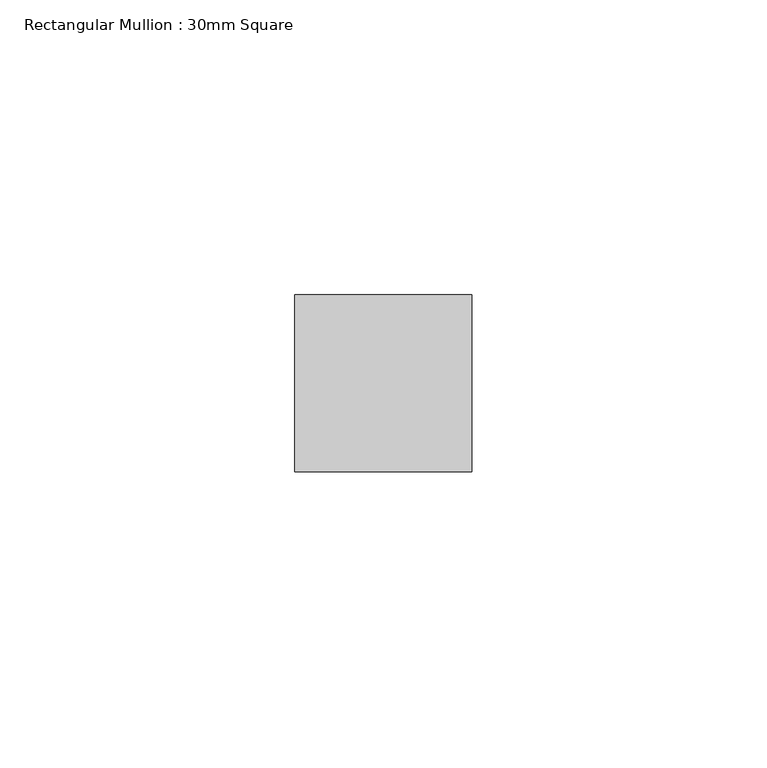
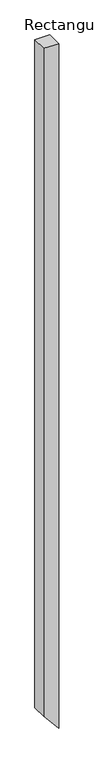
"""IFC4 building model written with IfcOpenShell, lengths in millimetres: member geometry, Rectangular Mullion : 30mm Square."""

from ifc_helpers import new_model, si_unit, point, frame, frame_2d, origin, place, context, project, spatial, polyline, circle_curve, trimmed, segment, composite_curve, outline, extrude, source, transform, mapped, element, save


def rectangular_mullion_30mm_square_1772856c(model_context):
    return source(origin(), model_context, "Body", "SweptSolid", [
        extrude(outline(composite_curve([segment(polyline([(0.0, 15.0), (0.0, -15.0), (-1410.8753816, -15.0)]), True, "CONTINUOUS"), segment(trimmed(circle_curve(frame_2d((-4213.4685979, -3261.5211069)), 4288.8725831), [point((-1410.8753816, -15.0))], [point((-1446.0081249, 15.0))], True, "CARTESIAN"), True, "CONTINUOUS"), segment(polyline([(-1446.0081249, 15.0), (0.0, 15.0)]), True, "CONTINUOUS")], self_intersect=False)), frame((0.0, -15.0, 0.0), z_axis=(0.0, 1.0, 0.0), x_axis=(0.0, 0.0, 1.0)), (0.0, 0.0, 1.0), 30.0),
    ])


if __name__ == "__main__":
    model = new_model("IFC4")
    model_context = context("Model", 3, world=origin())
    ifc_project = project(units=[si_unit("LENGTHUNIT", "METRE", prefix="MILLI")], contexts=[model_context])
    site = spatial("IfcSite", under=ifc_project)
    building = spatial("IfcBuilding", under=site)
    placement = place(None, origin())
    rectangular_mullion_30mm_square_shape = rectangular_mullion_30mm_square_1772856c(model_context)
    element("IfcMember", 1, ObjectType="Rectangular Mullion : 30mm Square", at=placement, inside=building, context=model_context, shape_type="MappedRepresentation", body=[
        mapped(rectangular_mullion_30mm_square_shape, transform((0.0, 0.0, 0.0), x_axis=(1.0, 0.0, 0.0), y_axis=(0.0, 1.0, 0.0), z_axis=(0.0, 0.0, 1.0))),
    ])
    save(model, "model.ifc")
